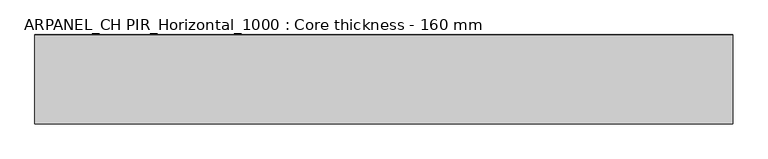
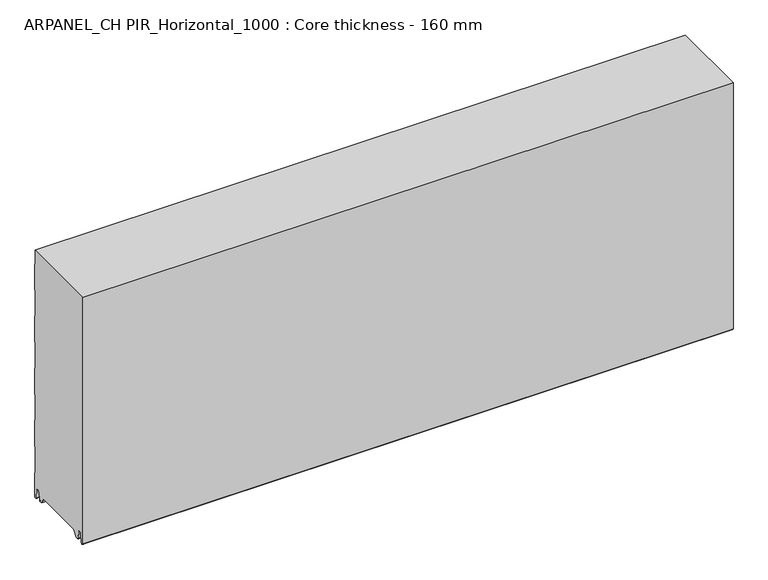
"""IFC4 building model written with IfcOpenShell, lengths in millimetres: plate geometry, ARPANEL_CH PIR_Horizontal_1000 : Core thickness - 160 mm."""

from ifc_helpers import new_model, si_unit, frame, origin, place, context, project, spatial, polyline, circle_curve, source, transform, mapped, element, save
from ifc_brep_helpers import plane_surface, cylinder_surface, revolved_surface, advanced_brep


def arpanel_ch_pir_horizontal_1000_core_thickness_160_mm_a16d3ec3(model_context):
    return source(origin(), model_context, "Body", "AdvancedBrep", [
        advanced_brep(
        [(620.0, -129.873448, 15.1417681), (620.0, -30.126552, 15.1417681), (620.0, -23.4071318, 3.165779), (620.0, -17.4169005, 3.165779), (620.0, -19.6169005, 5.365779), (620.0, -18.8169005, 5.365779), (620.0, -16.0235822, 5.2291629), (620.0, -14.6379549, 19.3608832), (620.0, -10.8223285, 22.7899182), (620.0, -7.0067021, 19.3608832), (620.0, -5.3893281, 2.8656275), (620.0, -0.8003051, 3.0900682), (620.0, -0.8, 49.9459237), (620.0, -1.0986697, 50.9973395), (620.0, -1.5003051, 52.4177205), (620.0, -1.5003051, 102.5775037), (620.0, -1.0971009, 103.9969151), (620.0, -0.8, 105.0493005), (620.0, -0.8, 155.2090837), (620.0, -1.0986697, 156.2604995), (620.0, -1.5003051, 157.6808805), (620.0, -1.5003051, 207.8406637), (620.0, -1.0971009, 209.2600751), (620.0, -0.8, 210.3124605), (620.0, -0.8, 260.4722437), (620.0, -1.0986697, 261.5236595), (620.0, -1.5003051, 262.9440405), (620.0, -1.5003051, 313.1038237), (620.0, -1.0971009, 314.5232351), (620.0, -0.8, 315.5756205), (620.0, -0.8, 365.7354037), (620.0, -1.0986697, 366.7868195), (620.0, -1.5003051, 368.2072005), (620.0, -1.5003051, 418.3669837), (620.0, -1.0971009, 419.7863951), (620.0, -0.8, 420.8387805), (620.0, -0.8, 470.9985637), (620.0, -1.0986697, 472.0499795), (620.0, -1.5003051, 473.4703605), (620.0, -1.5003051, 500.0), (620.0, -159.2, 500.0), (620.0, -159.2, 3.0900682), (620.0, -154.6106719, 2.8656275), (620.0, -152.9932979, 19.3608832), (620.0, -149.1776715, 22.7899182), (620.0, -145.3620451, 19.3608832), (620.0, -143.9764178, 5.2291629), (620.0, -141.1830995, 5.365779), (620.0, -140.3830995, 5.365779), (620.0, -142.5830995, 3.165779), (620.0, -136.5928682, 3.165779), (-620.0, -30.126552, 15.1417681), (-620.0, -129.873448, 15.1417681), (-620.0, -136.5928682, 3.165779), (-620.0, -142.5830995, 3.165779), (-620.0, -140.3830995, 5.365779), (-620.0, -141.1830995, 5.365779), (-620.0, -143.9764178, 5.2291629), (-620.0, -145.3620451, 19.3608832), (-620.0, -149.1776715, 22.7899182), (-620.0, -152.9932979, 19.3608832), (-620.0, -154.6106719, 2.8656275), (-620.0, -159.1996949, 3.0900682), (-620.0, -159.2, 500.0), (-620.0, -1.5003051, 500.0), (-620.0, -1.5003051, 473.4703605), (-620.0, -1.0971009, 472.0509491), (-620.0, -0.8, 470.9985637), (-620.0, -0.8, 420.8387805), (-620.0, -1.0986697, 419.7873646), (-620.0, -1.5003051, 418.3669837), (-620.0, -1.5003051, 368.2072005), (-620.0, -1.0971009, 366.7877891), (-620.0, -0.8, 365.7354037), (-620.0, -0.8, 315.5756205), (-620.0, -1.0986697, 314.5242046), (-620.0, -1.5003051, 313.1038237), (-620.0, -1.5003051, 262.9440405), (-620.0, -1.0971009, 261.5246291), (-620.0, -0.8, 260.4722437), (-620.0, -0.8, 210.3124605), (-620.0, -1.0986697, 209.2610446), (-620.0, -1.5003051, 207.8406637), (-620.0, -1.5003051, 157.6808805), (-620.0, -1.0971009, 156.2614691), (-620.0, -0.8, 155.2090837), (-620.0, -0.8, 105.0493005), (-620.0, -1.0986697, 103.9978846), (-620.0, -1.5003051, 102.5775037), (-620.0, -1.5003051, 52.4177205), (-620.0, -1.0971009, 50.9983091), (-620.0, -0.8, 49.9459237), (-620.0, -0.8, 3.0900682), (-620.0, -5.3893281, 2.8656275), (-620.0, -7.0067021, 19.3608832), (-620.0, -10.8223285, 22.7899182), (-620.0, -14.6379549, 19.3608832), (-620.0, -16.0235822, 5.2291629), (-620.0, -18.8169005, 5.365779), (-620.0, -19.6169005, 5.365779), (-620.0, -17.4169005, 3.165779), (-620.0, -23.4071318, 3.165779)],
        [
            (0, 1),
            (1, 2),
            (2, 3),
            (3, 4, circle_curve(frame((620.0, -17.4169005, 5.365779), z_axis=(-1.0, 0.0, 0.0), x_axis=(0.0, 0.0, -1.0)), 2.2)),
            (4, 5),
            (5, 6, circle_curve(frame((620.0, -17.4169005, 5.365779), z_axis=(1.0, 0.0, 0.0), x_axis=(0.0, 0.0, -1.0)), 1.4)),
            (6, 7),
            (7, 8, circle_curve(frame((620.0, -10.8560907, 18.9900682), z_axis=(-1.0, 0.0, 0.0), x_axis=(0.0, 0.0, -1.0)), 3.8)),
            (8, 9, circle_curve(frame((620.0, -10.7885662, 18.9900682), z_axis=(-1.0, 0.0, 0.0), x_axis=(0.0, 0.0, -1.0)), 3.8)),
            (9, 10),
            (10, 11, circle_curve(frame((620.0, -3.1003051, 3.0900682), z_axis=(1.0, 0.0, 0.0), x_axis=(0.0, 0.0, -1.0)), 2.3)),
            (11, 12),
            (12, 13, circle_curve(frame((620.0, -2.8, 49.9459237), z_axis=(1.0, 0.0, 0.0), x_axis=(0.0, 0.0, -1.0)), 2.0)),
            (13, 14, circle_curve(frame((620.0, 1.1996949, 52.4177205), z_axis=(-1.0, 0.0, 0.0), x_axis=(0.0, 0.0, -1.0)), 2.7)),
            (14, 15),
            (15, 16, circle_curve(frame((620.0, 1.1996949, 102.5775037), z_axis=(-1.0, 0.0, 0.0), x_axis=(0.0, 0.0, -1.0)), 2.7)),
            (16, 17, circle_curve(frame((620.0, -2.8, 105.0493005), z_axis=(1.0, 0.0, 0.0), x_axis=(0.0, 0.0, -1.0)), 2.0)),
            (17, 18),
            (18, 19, circle_curve(frame((620.0, -2.8, 155.2090837), z_axis=(1.0, 0.0, 0.0), x_axis=(0.0, 0.0, -1.0)), 2.0)),
            (19, 20, circle_curve(frame((620.0, 1.1996949, 157.6808805), z_axis=(-1.0, 0.0, 0.0), x_axis=(0.0, 0.0, -1.0)), 2.7)),
            (20, 21),
            (21, 22, circle_curve(frame((620.0, 1.1996949, 207.8406637), z_axis=(-1.0, 0.0, 0.0), x_axis=(0.0, 0.0, -1.0)), 2.7)),
            (22, 23, circle_curve(frame((620.0, -2.8, 210.3124605), z_axis=(1.0, 0.0, 0.0), x_axis=(0.0, 0.0, -1.0)), 2.0)),
            (23, 24),
            (24, 25, circle_curve(frame((620.0, -2.8, 260.4722437), z_axis=(1.0, 0.0, 0.0), x_axis=(0.0, 0.0, -1.0)), 2.0)),
            (25, 26, circle_curve(frame((620.0, 1.1996949, 262.9440405), z_axis=(-1.0, 0.0, 0.0), x_axis=(0.0, 0.0, -1.0)), 2.7)),
            (26, 27),
            (27, 28, circle_curve(frame((620.0, 1.1996949, 313.1038237), z_axis=(-1.0, 0.0, 0.0), x_axis=(0.0, 0.0, -1.0)), 2.7)),
            (28, 29, circle_curve(frame((620.0, -2.8, 315.5756205), z_axis=(1.0, 0.0, 0.0), x_axis=(0.0, 0.0, -1.0)), 2.0)),
            (29, 30),
            (30, 31, circle_curve(frame((620.0, -2.8, 365.7354037), z_axis=(1.0, 0.0, 0.0), x_axis=(0.0, 0.0, -1.0)), 2.0)),
            (31, 32, circle_curve(frame((620.0, 1.1996949, 368.2072005), z_axis=(-1.0, 0.0, 0.0), x_axis=(0.0, 0.0, -1.0)), 2.7)),
            (32, 33),
            (33, 34, circle_curve(frame((620.0, 1.1996949, 418.3669837), z_axis=(-1.0, 0.0, 0.0), x_axis=(0.0, 0.0, -1.0)), 2.7)),
            (34, 35, circle_curve(frame((620.0, -2.8, 420.8387805), z_axis=(1.0, 0.0, 0.0), x_axis=(0.0, 0.0, -1.0)), 2.0)),
            (35, 36),
            (36, 37, circle_curve(frame((620.0, -2.8, 470.9985637), z_axis=(1.0, 0.0, 0.0), x_axis=(0.0, 0.0, -1.0)), 2.0)),
            (37, 38, circle_curve(frame((620.0, 1.1996949, 473.4703605), z_axis=(-1.0, 0.0, 0.0), x_axis=(0.0, 0.0, -1.0)), 2.7)),
            (38, 39),
            (39, 40),
            (40, 41),
            (41, 42, circle_curve(frame((620.0, -156.8996949, 3.0900682), z_axis=(1.0, 0.0, 0.0), x_axis=(0.0, 0.0, -1.0)), 2.3)),
            (42, 43),
            (43, 44, circle_curve(frame((620.0, -149.2114338, 18.9900682), z_axis=(-1.0, 0.0, 0.0), x_axis=(0.0, 0.0, -1.0)), 3.8)),
            (44, 45, circle_curve(frame((620.0, -149.1439093, 18.9900682), z_axis=(-1.0, 0.0, 0.0), x_axis=(0.0, 0.0, -1.0)), 3.8)),
            (45, 46),
            (46, 47, circle_curve(frame((620.0, -142.5830995, 5.365779), z_axis=(1.0, 0.0, 0.0), x_axis=(0.0, 0.0, -1.0)), 1.4)),
            (47, 48),
            (48, 49, circle_curve(frame((620.0, -142.5830995, 5.365779), z_axis=(-1.0, 0.0, 0.0), x_axis=(0.0, 0.0, -1.0)), 2.2)),
            (49, 50),
            (50, 0),
            (51, 52),
            (52, 53),
            (53, 54),
            (54, 55, circle_curve(frame((-620.0, -142.5830995, 5.365779), z_axis=(1.0, 0.0, 0.0), x_axis=(0.0, 0.0, -1.0)), 2.2)),
            (55, 56),
            (56, 57, circle_curve(frame((-620.0, -142.5830995, 5.365779), z_axis=(-1.0, 0.0, 0.0), x_axis=(0.0, 0.0, -1.0)), 1.4)),
            (57, 58),
            (58, 59, circle_curve(frame((-620.0, -149.1439093, 18.9900682), z_axis=(1.0, 0.0, 0.0), x_axis=(0.0, 0.0, -1.0)), 3.8)),
            (59, 60, circle_curve(frame((-620.0, -149.2114338, 18.9900682), z_axis=(1.0, 0.0, 0.0), x_axis=(0.0, 0.0, -1.0)), 3.8)),
            (60, 61),
            (61, 62, circle_curve(frame((-620.0, -156.8996949, 3.0900682), z_axis=(-1.0, 0.0, 0.0), x_axis=(0.0, 0.0, -1.0)), 2.3)),
            (62, 63),
            (63, 64),
            (64, 65),
            (65, 66, circle_curve(frame((-620.0, 1.1996949, 473.4703605), z_axis=(1.0, 0.0, 0.0), x_axis=(0.0, 0.0, -1.0)), 2.7)),
            (66, 67, circle_curve(frame((-620.0, -2.8, 470.9985637), z_axis=(-1.0, 0.0, 0.0), x_axis=(0.0, 0.0, -1.0)), 2.0)),
            (67, 68),
            (68, 69, circle_curve(frame((-620.0, -2.8, 420.8387805), z_axis=(-1.0, 0.0, 0.0), x_axis=(0.0, 0.0, -1.0)), 2.0)),
            (69, 70, circle_curve(frame((-620.0, 1.1996949, 418.3669837), z_axis=(1.0, 0.0, 0.0), x_axis=(0.0, 0.0, -1.0)), 2.7)),
            (70, 71),
            (71, 72, circle_curve(frame((-620.0, 1.1996949, 368.2072005), z_axis=(1.0, 0.0, 0.0), x_axis=(0.0, 0.0, -1.0)), 2.7)),
            (72, 73, circle_curve(frame((-620.0, -2.8, 365.7354037), z_axis=(-1.0, 0.0, 0.0), x_axis=(0.0, 0.0, -1.0)), 2.0)),
            (73, 74),
            (74, 75, circle_curve(frame((-620.0, -2.8, 315.5756205), z_axis=(-1.0, 0.0, 0.0), x_axis=(0.0, 0.0, -1.0)), 2.0)),
            (75, 76, circle_curve(frame((-620.0, 1.1996949, 313.1038237), z_axis=(1.0, 0.0, 0.0), x_axis=(0.0, 0.0, -1.0)), 2.7)),
            (76, 77),
            (77, 78, circle_curve(frame((-620.0, 1.1996949, 262.9440405), z_axis=(1.0, 0.0, 0.0), x_axis=(0.0, 0.0, -1.0)), 2.7)),
            (78, 79, circle_curve(frame((-620.0, -2.8, 260.4722437), z_axis=(-1.0, 0.0, 0.0), x_axis=(0.0, 0.0, -1.0)), 2.0)),
            (79, 80),
            (80, 81, circle_curve(frame((-620.0, -2.8, 210.3124605), z_axis=(-1.0, 0.0, 0.0), x_axis=(0.0, 0.0, -1.0)), 2.0)),
            (81, 82, circle_curve(frame((-620.0, 1.1996949, 207.8406637), z_axis=(1.0, 0.0, 0.0), x_axis=(0.0, 0.0, -1.0)), 2.7)),
            (82, 83),
            (83, 84, circle_curve(frame((-620.0, 1.1996949, 157.6808805), z_axis=(1.0, 0.0, 0.0), x_axis=(0.0, 0.0, -1.0)), 2.7)),
            (84, 85, circle_curve(frame((-620.0, -2.8, 155.2090837), z_axis=(-1.0, 0.0, 0.0), x_axis=(0.0, 0.0, -1.0)), 2.0)),
            (85, 86),
            (86, 87, circle_curve(frame((-620.0, -2.8, 105.0493005), z_axis=(-1.0, 0.0, 0.0), x_axis=(0.0, 0.0, -1.0)), 2.0)),
            (87, 88, circle_curve(frame((-620.0, 1.1996949, 102.5775037), z_axis=(1.0, 0.0, 0.0), x_axis=(0.0, 0.0, -1.0)), 2.7)),
            (88, 89),
            (89, 90, circle_curve(frame((-620.0, 1.1996949, 52.4177205), z_axis=(1.0, 0.0, 0.0), x_axis=(0.0, 0.0, -1.0)), 2.7)),
            (90, 91, circle_curve(frame((-620.0, -2.8, 49.9459237), z_axis=(-1.0, 0.0, 0.0), x_axis=(0.0, 0.0, -1.0)), 2.0)),
            (91, 92),
            (92, 93, circle_curve(frame((-620.0, -3.1003051, 3.0900682), z_axis=(-1.0, 0.0, 0.0), x_axis=(0.0, 0.0, -1.0)), 2.3)),
            (93, 94),
            (94, 95, circle_curve(frame((-620.0, -10.7885662, 18.9900682), z_axis=(1.0, 0.0, 0.0), x_axis=(0.0, 0.0, -1.0)), 3.8)),
            (95, 96, circle_curve(frame((-620.0, -10.8560907, 18.9900682), z_axis=(1.0, 0.0, 0.0), x_axis=(0.0, 0.0, -1.0)), 3.8)),
            (96, 97),
            (97, 98, circle_curve(frame((-620.0, -17.4169005, 5.365779), z_axis=(-1.0, 0.0, 0.0), x_axis=(0.0, 0.0, -1.0)), 1.4)),
            (98, 99),
            (99, 100, circle_curve(frame((-620.0, -17.4169005, 5.365779), z_axis=(1.0, 0.0, 0.0), x_axis=(0.0, 0.0, -1.0)), 2.2)),
            (100, 101),
            (101, 51),
            (1, 51),
            (101, 2),
            (0, 52),
            (50, 53),
            (99, 4),
            (3, 100),
            (98, 5),
            (97, 6),
            (96, 7),
            (95, 8),
            (94, 9),
            (93, 10),
            (92, 11),
            (91, 12),
            (90, 13),
            (89, 14),
            (88, 15),
            (87, 16),
            (86, 17),
            (85, 18),
            (84, 19),
            (83, 20),
            (82, 21),
            (81, 22),
            (80, 23),
            (79, 24),
            (78, 25),
            (77, 26),
            (76, 27),
            (75, 28),
            (74, 29),
            (73, 30),
            (72, 31),
            (71, 32),
            (70, 33),
            (69, 34),
            (68, 35),
            (67, 36),
            (66, 37),
            (65, 38),
            (64, 39),
            (62, 41),
            (40, 63),
            (61, 42),
            (60, 43),
            (59, 44),
            (58, 45),
            (57, 46),
            (56, 47),
            (55, 48),
            (54, 49),
        ],
        [
            plane_surface(frame((620.0, 0.0, 0.0), z_axis=(1.0, 0.0, 0.0), x_axis=(0.0, -1.0, 0.0))),
            plane_surface(frame((-620.0, 0.0, 0.0), z_axis=(-1.0, 0.0, 0.0), x_axis=(0.0, -1.0, 0.0))),
            plane_surface(frame((620.0, -30.126552, 15.1417681), z_axis=(0.0, -0.8721062992196836, -0.4893164649399687), x_axis=(-1.0, 0.0, 0.0))),
            plane_surface(frame((620.0, -129.873448, 15.1417681), z_axis=(0.0, 0.0, -1.0), x_axis=(-1.0, 0.0, 0.0))),
            plane_surface(frame((620.0, -136.8190247, 2.7627014), z_axis=(0.0, 0.8721062992196852, -0.48931646493996606), x_axis=(-1.0, 0.0, 0.0))),
            revolved_surface(polyline([(620.0, -17.4169005, 3.1657789999999997), (-620.0, -17.4169005, 3.1657789999999997)]), (750.0, -17.4169005, 5.365779), (1.0, 0.0, 0.0)),
            plane_surface(frame((750.0, -18.8169005, 5.365779), z_axis=(0.0, 0.0, -1.0), x_axis=(-1.0, 0.0, 0.0))),
            cylinder_surface(frame((750.0, -17.4169005, 5.365779), z_axis=(-1.0, 0.0, 0.0), x_axis=(0.0, 0.0, -1.0)), 1.4),
            plane_surface(frame((750.0, -14.6379549, 19.3608832), z_axis=(0.0, 0.9952273999818297, -0.09758289975916531), x_axis=(-1.0, 0.0, 0.0))),
            revolved_surface(polyline([(620.0, -10.8560907, 15.190068199999999), (-620.0, -10.8560907, 15.190068199999999)]), (750.0, -10.8560907, 18.9900682), (1.0, 0.0, 0.0)),
            revolved_surface(polyline([(620.0, -10.7885662, 15.190068199999999), (-620.0, -10.7885662, 15.190068199999999)]), (750.0, -10.7885662, 18.9900682), (1.0, 0.0, 0.0)),
            plane_surface(frame((750.0, -5.3893281, 2.8656275), z_axis=(0.0, -0.9952273999818314, -0.09758289975914787), x_axis=(-1.0, 0.0, 0.0))),
            cylinder_surface(frame((750.0, -3.1003051, 3.0900682), z_axis=(-1.0, 0.0, 0.0), x_axis=(0.0, 0.0, -1.0)), 2.3),
            plane_surface(frame((750.0, -0.8, 49.9459237), z_axis=(0.0, 1.0, 0.0), x_axis=(-1.0, 0.0, 0.0))),
            cylinder_surface(frame((750.0, -2.8, 49.9459237), z_axis=(-1.0, 0.0, 0.0), x_axis=(0.0, 0.0, -1.0)), 2.0),
            revolved_surface(polyline([(620.0, 1.1996949, 49.7177205), (-620.0, 1.1996949, 49.7177205)]), (750.0, 1.1996949, 52.4177205), (1.0, 0.0, 0.0)),
            plane_surface(frame((750.0, -1.5003051, 102.5775037), z_axis=(0.0, 1.0, 0.0), x_axis=(-1.0, 0.0, 0.0))),
            revolved_surface(polyline([(620.0, 1.1996949, 99.87750369999999), (-620.0, 1.1996949, 99.87750369999999)]), (750.0, 1.1996949, 102.5775037), (1.0, 0.0, 0.0)),
            cylinder_surface(frame((750.0, -2.8, 105.0493005), z_axis=(-1.0, 0.0, 0.0), x_axis=(0.0, 0.0, -1.0)), 2.0),
            plane_surface(frame((750.0, -0.8, 155.2090837), z_axis=(0.0, 1.0, 0.0), x_axis=(-1.0, 0.0, 0.0))),
            cylinder_surface(frame((750.0, -2.8, 155.2090837), z_axis=(-1.0, 0.0, 0.0), x_axis=(0.0, 0.0, -1.0)), 2.0),
            revolved_surface(polyline([(620.0, 1.1996949, 154.9808805), (-620.0, 1.1996949, 154.9808805)]), (750.0, 1.1996949, 157.6808805), (1.0, 0.0, 0.0)),
            plane_surface(frame((750.0, -1.5003051, 207.8406637), z_axis=(0.0, 1.0, 0.0), x_axis=(-1.0, 0.0, 0.0))),
            revolved_surface(polyline([(620.0, 1.1996949, 205.1406637), (-620.0, 1.1996949, 205.1406637)]), (750.0, 1.1996949, 207.8406637), (1.0, 0.0, 0.0)),
            cylinder_surface(frame((750.0, -2.8, 210.3124605), z_axis=(-1.0, 0.0, 0.0), x_axis=(0.0, 0.0, -1.0)), 2.0),
            plane_surface(frame((750.0, -0.8, 260.4722437), z_axis=(0.0, 1.0, 0.0), x_axis=(-1.0, 0.0, 0.0))),
            cylinder_surface(frame((750.0, -2.8, 260.4722437), z_axis=(-1.0, 0.0, 0.0), x_axis=(0.0, 0.0, -1.0)), 2.0),
            revolved_surface(polyline([(620.0, 1.1996949, 260.24404050000004), (-620.0, 1.1996949, 260.24404050000004)]), (750.0, 1.1996949, 262.9440405), (1.0, 0.0, 0.0)),
            plane_surface(frame((750.0, -1.5003051, 313.1038237), z_axis=(0.0, 1.0, 0.0), x_axis=(-1.0, 0.0, 0.0))),
            revolved_surface(polyline([(620.0, 1.1996949, 310.40382370000003), (-620.0, 1.1996949, 310.40382370000003)]), (750.0, 1.1996949, 313.1038237), (1.0, 0.0, 0.0)),
            cylinder_surface(frame((750.0, -2.8, 315.5756205), z_axis=(-1.0, 0.0, 0.0), x_axis=(0.0, 0.0, -1.0)), 2.0),
            plane_surface(frame((750.0, -0.8, 365.7354037), z_axis=(0.0, 1.0, 0.0), x_axis=(-1.0, 0.0, 0.0))),
            cylinder_surface(frame((750.0, -2.8, 365.7354037), z_axis=(-1.0, 0.0, 0.0), x_axis=(0.0, 0.0, -1.0)), 2.0),
            revolved_surface(polyline([(620.0, 1.1996949, 365.5072005), (-620.0, 1.1996949, 365.5072005)]), (750.0, 1.1996949, 368.2072005), (1.0, 0.0, 0.0)),
            plane_surface(frame((750.0, -1.5003051, 418.3669837), z_axis=(0.0, 1.0, 0.0), x_axis=(-1.0, 0.0, 0.0))),
            revolved_surface(polyline([(620.0, 1.1996949, 415.6669837), (-620.0, 1.1996949, 415.6669837)]), (750.0, 1.1996949, 418.3669837), (1.0, 0.0, 0.0)),
            cylinder_surface(frame((750.0, -2.8, 420.8387805), z_axis=(-1.0, 0.0, 0.0), x_axis=(0.0, 0.0, -1.0)), 2.0),
            plane_surface(frame((750.0, -0.8, 470.9985637), z_axis=(0.0, 1.0, 0.0), x_axis=(-1.0, 0.0, 0.0))),
            cylinder_surface(frame((750.0, -2.8, 470.9985637), z_axis=(-1.0, 0.0, 0.0), x_axis=(0.0, 0.0, -1.0)), 2.0),
            revolved_surface(polyline([(620.0, 1.1996949, 470.77036050000004), (-620.0, 1.1996949, 470.77036050000004)]), (750.0, 1.1996949, 473.4703605), (1.0, 0.0, 0.0)),
            plane_surface(frame((750.0, -1.5003051, 523.6301437), z_axis=(0.0, 1.0, 0.0), x_axis=(-1.0, 0.0, 0.0))),
            plane_surface(frame((750.0, -159.2, 3.0900682), z_axis=(0.0, -1.0, 0.0), x_axis=(-1.0, 0.0, 0.0))),
            cylinder_surface(frame((750.0, -156.8996949, 3.0900682), z_axis=(-1.0, 0.0, 0.0), x_axis=(0.0, 0.0, -1.0)), 2.3),
            plane_surface(frame((750.0, -152.9932979, 19.3608832), z_axis=(0.0, 0.9952273999818314, -0.09758289975914787), x_axis=(-1.0, 0.0, 0.0))),
            revolved_surface(polyline([(620.0, -149.2114338, 15.190068199999999), (-620.0, -149.2114338, 15.190068199999999)]), (750.0, -149.2114338, 18.9900682), (1.0, 0.0, 0.0)),
            revolved_surface(polyline([(620.0, -149.1439093, 15.190068199999999), (-620.0, -149.1439093, 15.190068199999999)]), (750.0, -149.1439093, 18.9900682), (1.0, 0.0, 0.0)),
            plane_surface(frame((750.0, -143.9764178, 5.2291629), z_axis=(0.0, -0.9952273999818297, -0.09758289975916531), x_axis=(-1.0, 0.0, 0.0))),
            cylinder_surface(frame((750.0, -142.5830995, 5.365779), z_axis=(-1.0, 0.0, 0.0), x_axis=(0.0, 0.0, -1.0)), 1.4),
            plane_surface(frame((750.0, -140.3830995, 5.365779), z_axis=(0.0, 0.0, -1.0), x_axis=(-1.0, 0.0, 0.0))),
            revolved_surface(polyline([(620.0, -142.5830995, 3.1657789999999997), (-620.0, -142.5830995, 3.1657789999999997)]), (750.0, -142.5830995, 5.365779), (1.0, 0.0, 0.0)),
            plane_surface(frame((-620.0, -142.5830995, 3.165779), z_axis=(0.0, 0.0, -1.0), x_axis=(1.0, 0.0, 0.0))),
            plane_surface(frame((-620.0, 134.0533409, 500.0), z_axis=(0.0, 0.0, 1.0), x_axis=(1.0, 0.0, 0.0))),
        ],
        [
            (0, [[1, 2, 3, 4, 5, 6, 7, 8, 9, 10, 11, 12, 13, 14, 15, 16, 17, 18, 19, 20, 21, 22, 23, 24, 25, 26, 27, 28, 29, 30, 31, 32, 33, 34, 35, 36, 37, 38, 39, 40, 41, 42, 43, 44, 45, 46, 47, 48, 49, 50, 51]]),
            (1, [[52, 53, 54, 55, 56, 57, 58, 59, 60, 61, 62, 63, 64, 65, 66, 67, 68, 69, 70, 71, 72, 73, 74, 75, 76, 77, 78, 79, 80, 81, 82, 83, 84, 85, 86, 87, 88, 89, 90, 91, 92, 93, 94, 95, 96, 97, 98, 99, 100, 101, 102]]),
            (2, [[103, -102, 104, -2]]),
            (3, [[-1, 105, -52, -103]]),
            (4, [[-105, -51, 106, -53]]),
            (5, [[107, -4, 108, -100]]),
            (6, [[-107, -99, 109, -5]]),
            (7, [[-109, -98, 110, -6]]),
            (8, [[-110, -97, 111, -7]]),
            (9, [[-111, -96, 112, -8]]),
            (10, [[-112, -95, 113, -9]]),
            (11, [[-113, -94, 114, -10]]),
            (12, [[-114, -93, 115, -11]]),
            (13, [[-115, -92, 116, -12]]),
            (14, [[-116, -91, 117, -13]]),
            (15, [[-117, -90, 118, -14]]),
            (16, [[-118, -89, 119, -15]]),
            (17, [[-119, -88, 120, -16]]),
            (18, [[-120, -87, 121, -17]]),
            (19, [[-121, -86, 122, -18]]),
            (20, [[-122, -85, 123, -19]]),
            (21, [[-123, -84, 124, -20]]),
            (22, [[-124, -83, 125, -21]]),
            (23, [[-125, -82, 126, -22]]),
            (24, [[-126, -81, 127, -23]]),
            (25, [[-127, -80, 128, -24]]),
            (26, [[-128, -79, 129, -25]]),
            (27, [[-129, -78, 130, -26]]),
            (28, [[-130, -77, 131, -27]]),
            (29, [[-131, -76, 132, -28]]),
            (30, [[-132, -75, 133, -29]]),
            (31, [[-133, -74, 134, -30]]),
            (32, [[-134, -73, 135, -31]]),
            (33, [[-135, -72, 136, -32]]),
            (34, [[-136, -71, 137, -33]]),
            (35, [[-137, -70, 138, -34]]),
            (36, [[-138, -69, 139, -35]]),
            (37, [[-139, -68, 140, -36]]),
            (38, [[-140, -67, 141, -37]]),
            (39, [[-141, -66, 142, -38]]),
            (40, [[-142, -65, 143, -39]]),
            (41, [[144, -41, 145, -63]]),
            (42, [[-144, -62, 146, -42]]),
            (43, [[-146, -61, 147, -43]]),
            (44, [[-147, -60, 148, -44]]),
            (45, [[-148, -59, 149, -45]]),
            (46, [[-149, -58, 150, -46]]),
            (47, [[-150, -57, 151, -47]]),
            (48, [[-151, -56, 152, -48]]),
            (49, [[-152, -55, 153, -49]]),
            (50, [[-3, -104, -101, -108]]),
            (50, [[-50, -153, -54, -106]]),
            (51, [[-143, -64, -145, -40]]),
        ],
    ),
    ])


if __name__ == "__main__":
    model = new_model("IFC4")
    model_context = context("Model", 3, world=origin())
    ifc_project = project(units=[si_unit("LENGTHUNIT", "METRE", prefix="MILLI")], contexts=[model_context])
    site = spatial("IfcSite", under=ifc_project)
    building = spatial("IfcBuilding", under=site)
    placement = place(None, origin())
    arpanel_ch_pir_horizontal_1000_core_thickness_160_mm_shape = arpanel_ch_pir_horizontal_1000_core_thickness_160_mm_a16d3ec3(model_context)
    element("IfcPlate", 1, ObjectType="ARPANEL_CH PIR_Horizontal_1000 : Core thickness - 160 mm", at=placement, inside=building, context=model_context, shape_type="MappedRepresentation", body=[
        mapped(arpanel_ch_pir_horizontal_1000_core_thickness_160_mm_shape, transform((0.0, 0.0, 0.0), x_axis=(1.0, 0.0, 0.0), y_axis=(0.0, 1.0, 0.0), z_axis=(0.0, 0.0, 1.0))),
    ])
    save(model, "model.ifc")
